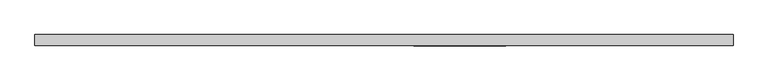
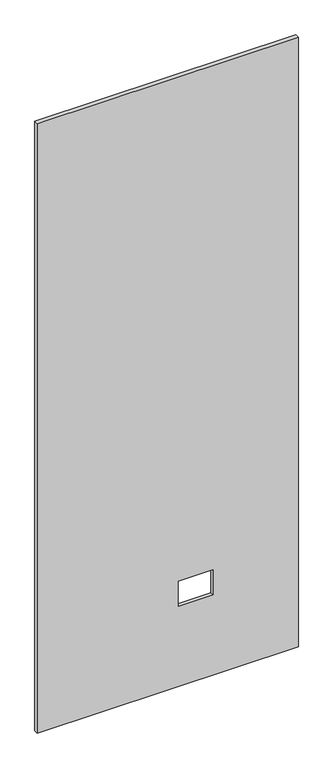
"""IFC4 building model written with IfcOpenShell, lengths in millimetres: proxy geometry."""

import ifcopenshell
import ifcopenshell.guid

model = None  # the IFC model being written
_history = None  # IfcOwnerHistory: only IFC2X3 demands one
_inside = {}  # id of a spatial element -> (the spatial element, [elements in it])
_under = {}  # id of a project, library or spatial element -> (it, [spatial elements below it])
_declared = {}  # id of a project -> (the project, [libraries it declares])
_typed = {}  # id of a type object -> (the type object, [elements of that type])
_made_of = {}  # id of a material, layer set ... -> (it, [elements and type objects made of it])


def new_model(schema):
    """Start an empty IFC model of exactly this schema.

    Asked for "IFC4X3", IfcOpenShell would pick the latest addendum, in which some entities
    have other attributes; the version numbers below select the first issue.
    IFC2X3 requires an IfcOwnerHistory on every rooted entity: one is made here for all.
    """
    global model, _history
    if schema == "IFC4X3":
        model = ifcopenshell.file(schema_version=(4, 3, 0, 0))
    else:
        model = ifcopenshell.file(schema=schema)
    _inside.clear()
    _under.clear()
    _declared.clear()
    _typed.clear()
    _made_of.clear()
    _history = None
    if model.schema == "IFC2X3":
        org = make("IfcOrganization", Name="unknown")
        user = make(
            "IfcPersonAndOrganization",
            ThePerson=make("IfcPerson", FamilyName="unknown"),
            TheOrganization=org,
        )
        app = make(
            "IfcApplication",
            ApplicationDeveloper=org,
            Version="unknown",
            ApplicationFullName="unknown",
            ApplicationIdentifier="unknown",
        )
        _history = make(
            "IfcOwnerHistory",
            OwningUser=user,
            OwningApplication=app,
            ChangeAction="ADDED",
            CreationDate=0,
        )
    return model


def make(cls, **values):
    """One entity of the class cls with the attributes given. An attribute that is None is left unset."""
    return model.create_entity(
        cls, **{name: value for name, value in values.items() if value is not None}
    )


def rooted(cls, **values):
    """An entity with a GlobalId (a new one), such as an element, a storey or a relation."""
    return make(cls, GlobalId=ifcopenshell.guid.new(), OwnerHistory=_history, **values)


def si_unit(unit_type, name, prefix=None):
    """IfcSIUnit, for example si_unit("LENGTHUNIT", "METRE", prefix="MILLI")."""
    return make("IfcSIUnit", UnitType=unit_type, Prefix=prefix, Name=name)


def assignment(units):
    """IfcUnitAssignment: the units of a project."""
    return None if units is None else make("IfcUnitAssignment", Units=units)


def point(xyz):
    """IfcCartesianPoint."""
    return None if xyz is None else make("IfcCartesianPoint", Coordinates=xyz)


def direction(xyz):
    """IfcDirection."""
    return None if xyz is None else make("IfcDirection", DirectionRatios=xyz)


def frame(location, z_axis=None, x_axis=None):
    """IfcAxis2Placement3D, a coordinate frame: its origin and axes. An axis left out is left unset."""
    return make(
        "IfcAxis2Placement3D",
        Location=point(location),
        Axis=direction(z_axis),
        RefDirection=direction(x_axis),
    )


def origin():
    """The frame at (0, 0, 0) with its axes left unset."""
    return frame((0.0, 0.0, 0.0))


def place(relative_to, where):
    """IfcLocalPlacement: puts the frame where relative to a parent placement (None: the world)."""
    return make(
        "IfcLocalPlacement", PlacementRelTo=relative_to, RelativePlacement=where
    )


def context(
    kind, dimensions, precision=None, world=None, true_north=None, identifier=None
):
    """IfcGeometricRepresentationContext, for example the 3D "Model" context."""
    return make(
        "IfcGeometricRepresentationContext",
        ContextIdentifier=identifier,
        ContextType=kind,
        CoordinateSpaceDimension=dimensions,
        Precision=precision,
        WorldCoordinateSystem=world,
        TrueNorth=true_north,
    )


def project(units=None, contexts=None):
    """IfcProject with its units and contexts."""
    return rooted(
        "IfcProject",
        Name="project",
        RepresentationContexts=contexts,
        UnitsInContext=assignment(units),
    )


def spatial(cls, under=None, at=None, **own):
    """A site, building, storey or space (cls), placed at a placement, below another one or the project."""
    s = rooted(cls, ObjectPlacement=at, **own)
    if under is not None:
        _under.setdefault(under.id(), (under, []))[1].append(s)
    return s


def polyline(points):
    """IfcPolyline through the points."""
    return make("IfcPolyline", Points=[point(p) for p in points])


def outline(outer, holes=None, kind="AREA"):
    """IfcArbitraryClosedProfileDef: a profile drawn as a closed curve; with holes, ...WithVoids."""
    if holes is None:
        return make("IfcArbitraryClosedProfileDef", ProfileType=kind, OuterCurve=outer)
    return make(
        "IfcArbitraryProfileDefWithVoids",
        ProfileType=kind,
        OuterCurve=outer,
        InnerCurves=holes,
    )


def extrude(swept, where, along, depth):
    """IfcExtrudedAreaSolid: the profile swept, set in the frame where, extruded along a direction by depth."""
    return make(
        "IfcExtrudedAreaSolid",
        SweptArea=swept,
        Position=where,
        ExtrudedDirection=direction(along),
        Depth=depth,
    )


def shape(context_of_items, identifier, shape_type, items):
    """IfcShapeRepresentation: the items that make up one representation, for example the "Body"."""
    return make(
        "IfcShapeRepresentation",
        ContextOfItems=context_of_items,
        RepresentationIdentifier=identifier,
        RepresentationType=shape_type,
        Items=items,
    )


def source(mapping_origin, context_of_items, identifier, shape_type, items):
    """IfcRepresentationMap: a shape defined once, which mapped items show again and again."""
    return make(
        "IfcRepresentationMap",
        MappingOrigin=mapping_origin,
        MappedRepresentation=shape(context_of_items, identifier, shape_type, items),
    )


def transform(
    local_origin,
    x_axis=None,
    y_axis=None,
    z_axis=None,
    scale=None,
    scale2=None,
    scale3=None,
    uniform=True,
):
    """IfcCartesianTransformationOperator3D, or its non-uniform kind. x_axis, y_axis, z_axis: its Axis1, 2, 3."""
    if uniform:
        return make(
            "IfcCartesianTransformationOperator3D",
            Axis1=direction(x_axis),
            Axis2=direction(y_axis),
            LocalOrigin=point(local_origin),
            Scale=scale,
            Axis3=direction(z_axis),
        )
    return make(
        "IfcCartesianTransformationOperator3DnonUniform",
        Axis1=direction(x_axis),
        Axis2=direction(y_axis),
        LocalOrigin=point(local_origin),
        Scale=scale,
        Axis3=direction(z_axis),
        Scale2=scale2,
        Scale3=scale3,
    )


def mapped(mapping_source, mapping_target):
    """IfcMappedItem: shows the shape of a source again, moved by a transform."""
    return make(
        "IfcMappedItem", MappingSource=mapping_source, MappingTarget=mapping_target
    )


def made_of(thing, what):
    """Note that an element or type object is made of a material, layer set ...; save() writes the relation."""
    if what is not None:
        _made_of.setdefault(what.id(), (what, []))[1].append(thing)
    return thing


def element(
    cls,
    number,
    at=None,
    inside=None,
    cuts=None,
    type_object=None,
    material=None,
    context=None,
    identifier="Body",
    shape_type=None,
    held_by="IfcProductDefinitionShape",
    body=None,
    shapes=None,
    **own,
):
    """One element of the class cls, such as IfcWall. Its Tag is "e" and its number.

    at: its placement. inside: the storey or other place that contains it. cuts: it is an
    opening in that element (IfcRelVoidsElement). A single representation is given by context,
    identifier, shape_type and body (its items); several are given by shapes. held_by: the class
    of the entity that holds the representations. save() writes the other relations.
    """
    e = rooted(cls, Tag="e%d" % number, ObjectPlacement=at, **own)
    if body is not None:
        shapes = [shape(context, identifier, shape_type, body)]
    if shapes is not None:
        e.Representation = make(held_by, Representations=shapes)
    if inside is not None:
        _inside.setdefault(inside.id(), (inside, []))[1].append(e)
    if cuts is not None:
        rooted(
            "IfcRelVoidsElement", RelatingBuildingElement=cuts, RelatedOpeningElement=e
        )
    if type_object is not None:
        _typed.setdefault(type_object.id(), (type_object, []))[1].append(e)
    return made_of(e, material)


def aggregate(whole, parts):
    """IfcRelAggregates: a whole, such as a stair, and the parts it consists of."""
    return rooted("IfcRelAggregates", RelatingObject=whole, RelatedObjects=parts)


def save(model, path):
    """Write the relations noted so far, then the file.

    IfcRelAggregates (storeys below a building ...), IfcRelContainedInSpatialStructure (elements
    in a storey), IfcRelDefinesByType, IfcRelAssociatesMaterial and IfcRelDeclares: one each for
    every whole, place, type object, material and project.
    """
    for whole, parts in _under.values():
        aggregate(whole, parts)
    for where, things in _inside.values():
        rooted(
            "IfcRelContainedInSpatialStructure",
            RelatedElements=things,
            RelatingStructure=where,
        )
    for kind, things in _typed.values():
        rooted("IfcRelDefinesByType", RelatedObjects=things, RelatingType=kind)
    for what, things in _made_of.values():
        rooted("IfcRelAssociatesMaterial", RelatedObjects=things, RelatingMaterial=what)
    for by, libraries in _declared.values():
        rooted("IfcRelDeclares", RelatingContext=by, RelatedDefinitions=libraries)
    model.write(path)


def specialty_equipment_c9773989(model_context):
    return source(origin(), model_context, "Body", "SweptSolid", [
        extrude(outline(polyline([(2999.5368001, 607.7204), (2999.5368001, -607.7204), (3.175, -607.7204), (3.175, 607.7204), (2999.5368001, 607.7204)]), holes=[polyline([(518.9474, 211.8868), (395.4526, 211.8868), (395.4526, 51.3588), (518.9474, 51.3588), (518.9474, 211.8868)])]), frame((0.0, -9.525, 0.0), z_axis=(0.0, 1.0, 0.0), x_axis=(0.0, 0.0, 1.0)), (0.0, 0.0, 1.0), 19.05),
    ])


if __name__ == "__main__":
    model = new_model("IFC4")
    model_context = context("Model", 3, world=origin())
    ifc_project = project(units=[si_unit("LENGTHUNIT", "METRE", prefix="MILLI")], contexts=[model_context])
    site = spatial("IfcSite", under=ifc_project)
    building = spatial("IfcBuilding", under=site)
    placement = place(None, origin())
    specialty_equipment_shape = specialty_equipment_c9773989(model_context)
    element("IfcBuildingElementProxy", 1, Name="Specialty Equipment", at=placement, inside=building, context=model_context, shape_type="MappedRepresentation", body=[
        mapped(specialty_equipment_shape, transform((0.0, 0.0, 0.0), x_axis=(1.0, 0.0, 0.0), y_axis=(0.0, 1.0, 0.0), z_axis=(0.0, 0.0, 1.0))),
    ])
    save(model, "model.ifc")
